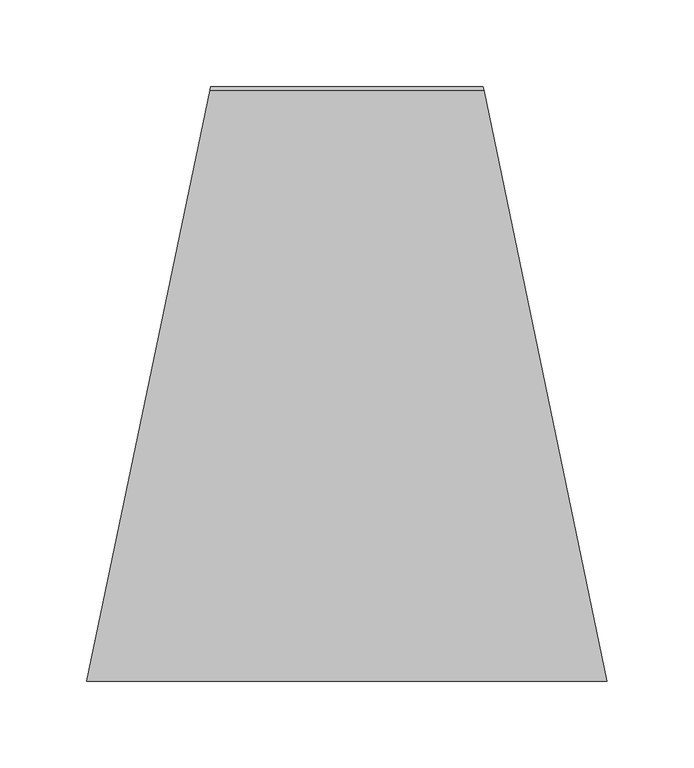
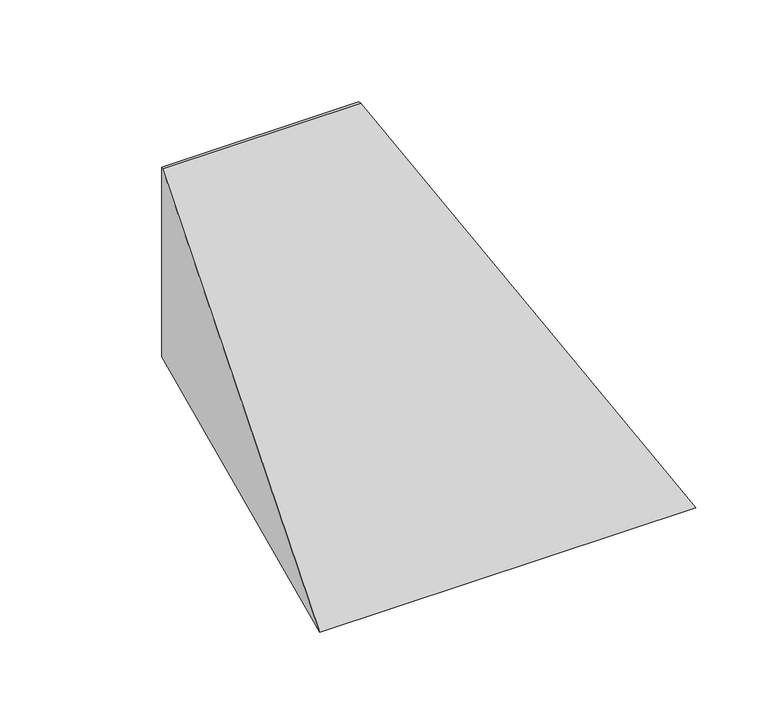
"""IFC4 building model written with IfcOpenShell, lengths in millimetres: proxy geometry."""

from ifc_helpers import new_model, si_unit, origin, place, context, project, spatial, faceted_brep, source, transform, mapped, element, save


def generic_models_9ef19c30(model_context):
    return source(origin(), model_context, "Body", "Brep", [
        faceted_brep([(71.4357143, 0.0, 160.0), (71.0185714, -2.0, 160.0), (228.9814286, -2.0, 160.0), (228.5642857, 0.0, 160.0), (71.4357143, 0.0, 0.0), (228.5642857, 0.0, 0.0), (300.0, -342.5, 0.0), (0.0, -342.5, 0.0)], [[[0, 1, 2, 3]], [[4, 5, 6, 7]], [[4, 7, 1, 0]], [[7, 6, 2, 1]], [[6, 5, 3, 2]], [[5, 4, 0, 3]]]),
    ])


if __name__ == "__main__":
    model = new_model("IFC4")
    model_context = context("Model", 3, world=origin())
    ifc_project = project(units=[si_unit("LENGTHUNIT", "METRE", prefix="MILLI")], contexts=[model_context])
    site = spatial("IfcSite", under=ifc_project)
    building = spatial("IfcBuilding", under=site)
    placement = place(None, origin())
    generic_models_shape = generic_models_9ef19c30(model_context)
    element("IfcBuildingElementProxy", 1, Name="Generic Models", at=placement, inside=building, context=model_context, shape_type="MappedRepresentation", body=[
        mapped(generic_models_shape, transform((0.0, 0.0, 0.0), x_axis=(1.0, 0.0, 0.0), y_axis=(0.0, 1.0, 0.0), z_axis=(0.0, 0.0, 1.0))),
    ])
    save(model, "model.ifc")
